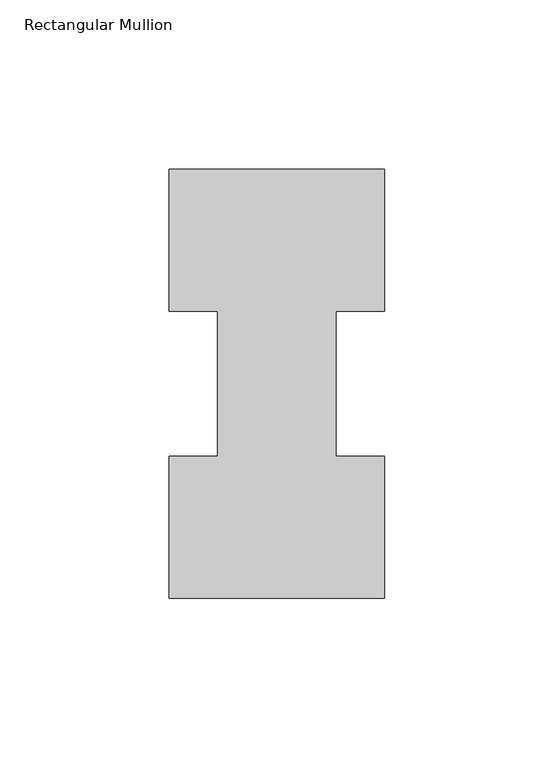
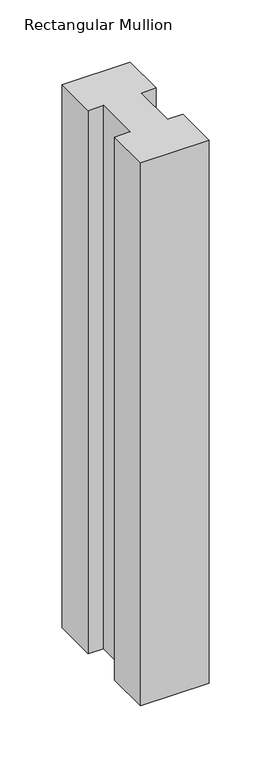
"""IFC4 building model written with IfcOpenShell, lengths in millimetres: member geometry, Rectangular Mullion."""

from ifc_helpers import new_model, si_unit, frame, origin, place, context, project, spatial, polyline, outline, extrude, source, transform, mapped, element, save


def rectangular_mullion_d15f597b(model_context):
    return source(origin(), model_context, "Body", "SweptSolid", [
        extrude(outline(polyline([(-63.5, 0.26035), (-63.5, 42.08145), (-49.2125, 42.08145), (-49.2125, 84.93125), (-63.5, 84.93125), (-63.5, 126.75235), (0.0, 126.75235), (0.0, 84.93125), (-14.2748, 84.93125), (-14.2748, 42.08145), (0.0, 42.08145), (0.0, 0.26035), (-63.5, 0.26035)])), frame((0.0, 0.0, -533.4063826), z_axis=(0.0, 0.0, 1.0), x_axis=(1.0, 0.0, 0.0)), (0.0, 0.0, 1.0), 533.4063826),
    ])


if __name__ == "__main__":
    model = new_model("IFC4")
    model_context = context("Model", 3, world=origin())
    ifc_project = project(units=[si_unit("LENGTHUNIT", "METRE", prefix="MILLI")], contexts=[model_context])
    site = spatial("IfcSite", under=ifc_project)
    building = spatial("IfcBuilding", under=site)
    placement = place(None, origin())
    rectangular_mullion_shape = rectangular_mullion_d15f597b(model_context)
    element("IfcMember", 1, ObjectType="Rectangular Mullion", at=placement, inside=building, context=model_context, shape_type="MappedRepresentation", body=[
        mapped(rectangular_mullion_shape, transform((0.0, 0.0, 0.0), x_axis=(1.0, 0.0, 0.0), y_axis=(0.0, 1.0, 0.0), z_axis=(0.0, 0.0, 1.0))),
    ])
    save(model, "model.ifc")
